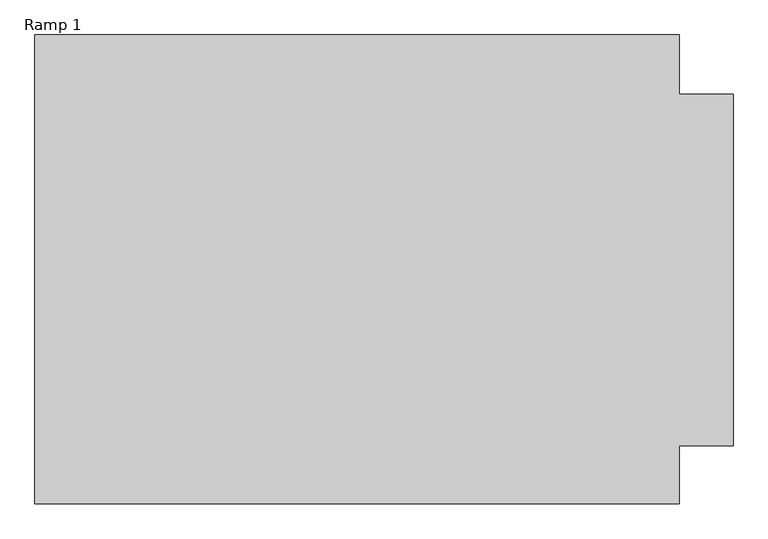
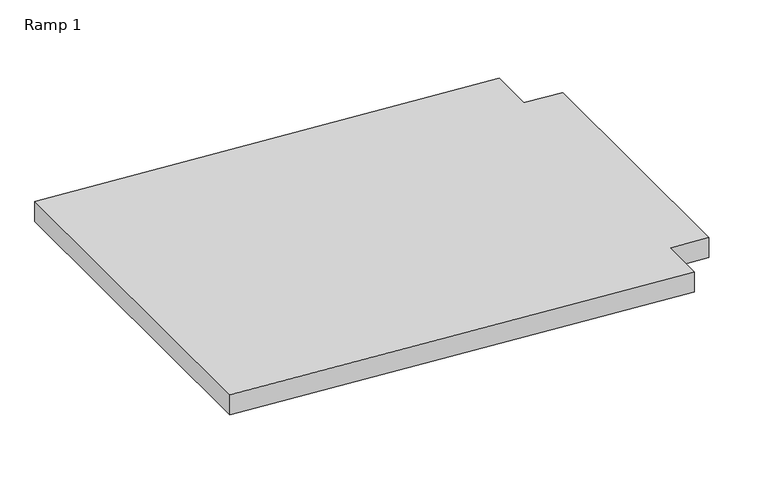
"""IFC4 building model written with IfcOpenShell, lengths in millimetres: ramp geometry, Ramp 1."""

from ifc_helpers import new_model, si_unit, origin, place, context, project, spatial, faceted_brep, source, transform, mapped, element, save


def ramp_1_3caca43f(model_context):
    return source(origin(), model_context, "Body", "Brep", [
        faceted_brep([(-236026.1265136, 176938.6898046, 762.0), (-234349.7265136, 176938.6898046, 644.7692308), (-234349.7265136, 177089.5023046, 644.7692308), (-234210.0265136, 177089.5023046, 635.0), (-234210.0265136, 178003.9023046, 635.0), (-234349.7265136, 178003.9023046, 644.7692308), (-234349.7265136, 178157.8898046, 644.7692308), (-236026.1265136, 178157.8898046, 762.0), (-236026.1265136, 176938.6898046, 685.61391), (-236026.1265136, 178157.8898046, 685.61391), (-234349.7265136, 178157.8898046, 568.3831408), (-234349.7265136, 178003.9023046, 568.3831408), (-234210.0265136, 178003.9023046, 558.61391), (-234210.0265136, 177089.5023046, 558.61391), (-234349.7265136, 177089.5023046, 568.3831408), (-234349.7265136, 176938.6898046, 568.3831408)], [[[0, 1, 2, 3, 4, 5, 6, 7]], [[8, 9, 10, 11, 12, 13, 14, 15]], [[1, 0, 8, 15]], [[2, 1, 15, 14]], [[3, 2, 14, 13]], [[4, 3, 13, 12]], [[5, 4, 12, 11]], [[6, 5, 11, 10]], [[7, 6, 10, 9]], [[0, 7, 9, 8]]]),
    ])


if __name__ == "__main__":
    model = new_model("IFC4")
    model_context = context("Model", 3, world=origin())
    ifc_project = project(units=[si_unit("LENGTHUNIT", "METRE", prefix="MILLI")], contexts=[model_context])
    site = spatial("IfcSite", under=ifc_project)
    building = spatial("IfcBuilding", under=site)
    placement = place(None, origin())
    ramp_1_shape = ramp_1_3caca43f(model_context)
    element("IfcRamp", 1, ObjectType="Ramp 1", at=placement, inside=building, context=model_context, shape_type="MappedRepresentation", body=[
        mapped(ramp_1_shape, transform((0.0, 0.0, 0.0), x_axis=(1.0, 0.0, 0.0), y_axis=(0.0, 1.0, 0.0), z_axis=(0.0, 0.0, 1.0))),
    ])
    save(model, "model.ifc")
